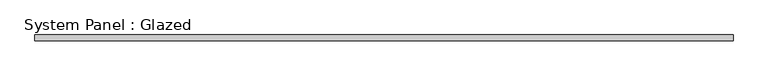
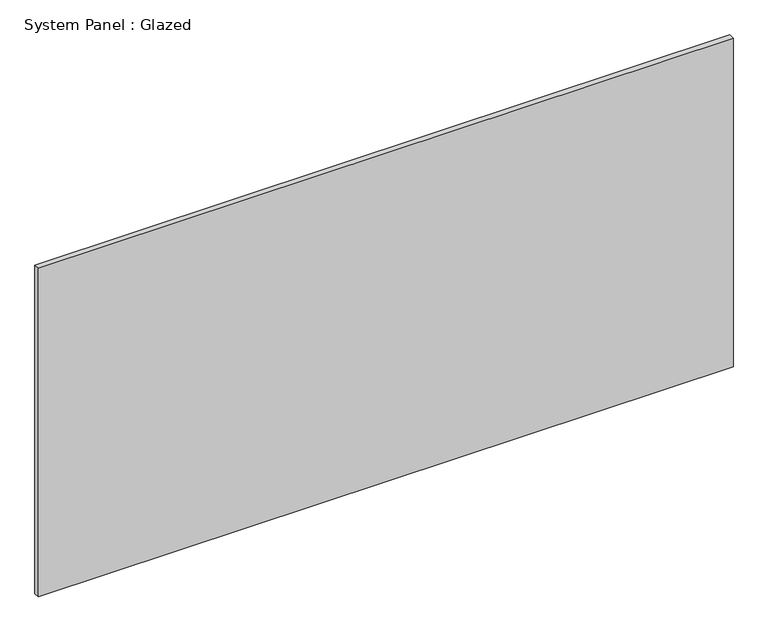
"""IFC4 building model written with IfcOpenShell, lengths in millimetres: plate geometry, System Panel : Glazed."""

from ifc_helpers import new_model, si_unit, origin, origin_with_axes, place, context, project, spatial, polyline, outline, extrude, source, transform, mapped, element, save


def system_panel_glazed_222d8a1b(model_context):
    return source(origin(), model_context, "Body", "SweptSolid", [
        extrude(outline(polyline([(1500.0000187, -49.5), (-1500.0000187, -49.5), (-1500.0000187, -24.5), (1500.0000187, -24.5), (1500.0000187, -49.5)])), origin_with_axes(), (0.0, 0.0, 1.0), 1500.0),
    ])


if __name__ == "__main__":
    model = new_model("IFC4")
    model_context = context("Model", 3, world=origin())
    ifc_project = project(units=[si_unit("LENGTHUNIT", "METRE", prefix="MILLI")], contexts=[model_context])
    site = spatial("IfcSite", under=ifc_project)
    building = spatial("IfcBuilding", under=site)
    placement = place(None, origin())
    system_panel_glazed_shape = system_panel_glazed_222d8a1b(model_context)
    element("IfcPlate", 1, ObjectType="System Panel : Glazed", at=placement, inside=building, context=model_context, shape_type="MappedRepresentation", body=[
        mapped(system_panel_glazed_shape, transform((0.0, 0.0, 0.0), x_axis=(1.0, 0.0, 0.0), y_axis=(0.0, 1.0, 0.0), z_axis=(0.0, 0.0, 1.0))),
    ])
    save(model, "model.ifc")
